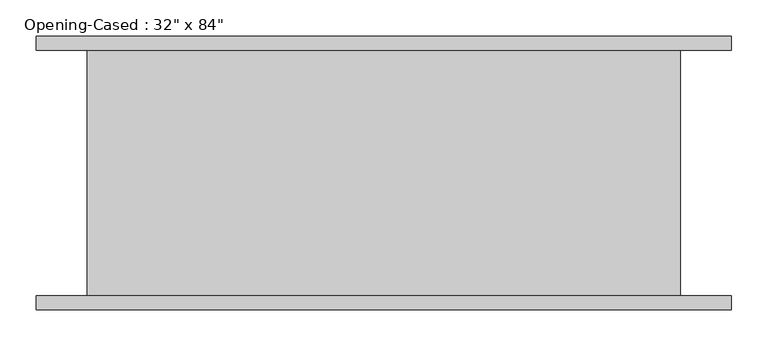
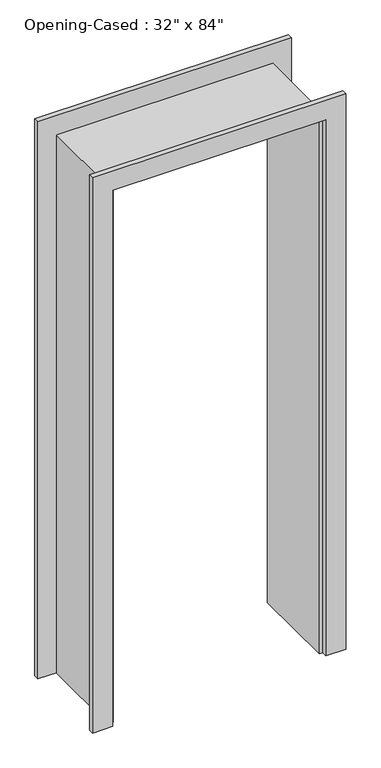
"""IFC4 building model written with IfcOpenShell, lengths in millimetres: proxy geometry."""

from ifc_helpers import new_model, si_unit, frame, origin, place, context, project, spatial, polyline, outline, extrude, faceted_brep, source, transform, mapped, element, save


def proxy_258f5b6b(model_context):
    return source(origin(), model_context, "Body", "SolidModel", [
        extrude(outline(polyline([(0.0, -408.2386567), (2127.25, -408.2386567), (2127.25, 391.8613433), (0.0, 391.8613433), (0.0, 468.0613433), (2203.45, 468.0613433), (2203.45, -484.4386567), (0.0, -484.4386567), (0.0, -408.2386567)])), frame((0.0, -187.325, 0.0), z_axis=(0.0, 1.0, 0.0), x_axis=(0.0, 0.0, 1.0)), (0.0, 0.0, 1.0), 19.05),
        extrude(outline(polyline([(0.0, 468.0613433), (2209.8, 468.0613433), (2209.8, -484.4386567), (0.0, -484.4386567), (0.0, -408.2386567), (2127.25, -408.2386567), (2127.25, 391.8613433), (0.0, 391.8613433), (0.0, 468.0613433)])), frame((0.0, 168.275, 0.0), z_axis=(0.0, 1.0, 0.0), x_axis=(0.0, 0.0, 1.0)), (0.0, 0.0, 1.0), 19.05),
        faceted_brep([(379.1613433, 168.275, 0.0), (398.2113433, 168.275, 0.0), (398.2113433, -168.275, 0.0), (379.1613433, -168.275, 0.0), (379.1613433, 168.275, 2114.55), (398.2113433, 168.275, 2133.6), (398.2113433, -168.275, 2133.6), (379.1613433, -168.275, 2114.55), (-395.5386567, 168.275, 2114.55), (-414.5886567, 168.275, 2133.6), (-414.5886567, -168.275, 2133.6), (-395.5386567, -168.275, 2114.55), (-395.5386567, 168.275, 0.0), (-395.5386567, -168.275, 0.0), (-414.5886567, -168.275, 0.0), (-414.5886567, 168.275, 0.0)], [[[0, 1, 2, 3]], [[1, 0, 4, 5]], [[2, 1, 5, 6]], [[3, 2, 6, 7]], [[0, 3, 7, 4]], [[5, 4, 8, 9]], [[6, 5, 9, 10]], [[7, 6, 10, 11]], [[4, 7, 11, 8]], [[12, 13, 14, 15]], [[9, 8, 12, 15]], [[10, 9, 15, 14]], [[11, 10, 14, 13]], [[8, 11, 13, 12]]]),
    ])


if __name__ == "__main__":
    model = new_model("IFC4")
    model_context = context("Model", 3, world=origin())
    ifc_project = project(units=[si_unit("LENGTHUNIT", "METRE", prefix="MILLI")], contexts=[model_context])
    site = spatial("IfcSite", under=ifc_project)
    building = spatial("IfcBuilding", under=site)
    placement = place(None, origin())
    proxy_shape = proxy_258f5b6b(model_context)
    element("IfcBuildingElementProxy", 1, Name="Opening-Cased : 32\" x 84\"", ObjectType="Opening-Cased : 32\" x 84\"", at=placement, inside=building, context=model_context, shape_type="MappedRepresentation", body=[
        mapped(proxy_shape, transform((0.0, 0.0, 0.0), x_axis=(1.0, 0.0, 0.0), y_axis=(0.0, 1.0, 0.0), z_axis=(0.0, 0.0, 1.0))),
    ])
    save(model, "model.ifc")
